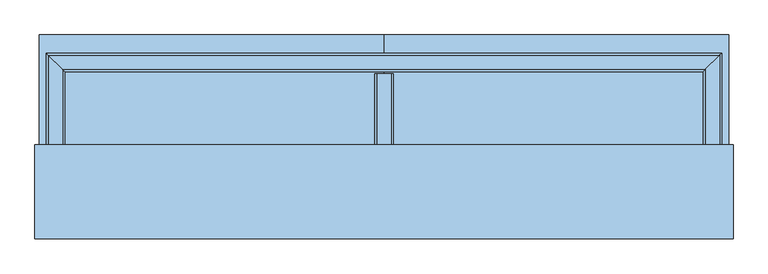
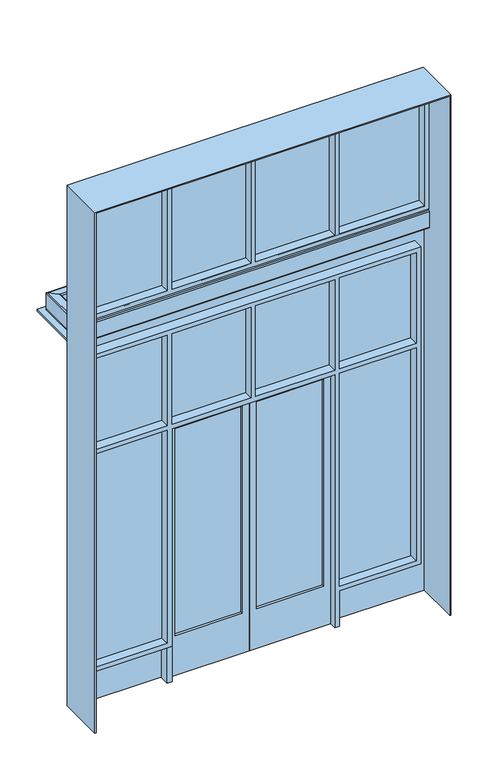
"""IFC4 building model written with IfcOpenShell, lengths in millimetres: window geometry."""

from ifc_helpers import new_model, si_unit, point, frame, frame_2d, origin, origin_with_axes, place, context, project, spatial, polyline, circle_curve, ellipse_curve, trimmed, segment, composite_curve, outline, extrude, faceted_brep, source, transform, mapped, element, save
from ifc_brep_helpers import plane_surface, cylinder_surface, revolved_surface, advanced_brep


def window_72cc16a2(model_context):
    return source(origin(), model_context, "Body", "SolidModel", [
        extrude(outline(composite_curve([segment(polyline([(4408.1281394, -50.8), (4228.6009394, -50.8)]), True, "CONTINUOUS"), segment(trimmed(circle_curve(frame_2d((4228.6009394, -38.9636)), 11.8364), [point((4228.6009394, -50.8))], [point((4216.7645394, -38.9636))], False, "CARTESIAN"), True, "CONTINUOUS"), segment(polyline([(4216.7645394, -38.9636), (4216.7645394, 38.9636)]), True, "CONTINUOUS"), segment(trimmed(circle_curve(frame_2d((4228.6009394, 38.9636)), 11.8364), [point((4216.7645394, 38.9636))], [point((4228.6009394, 50.8))], False, "CARTESIAN"), True, "CONTINUOUS"), segment(polyline([(4228.6009394, 50.8), (4408.1281394, 50.8)]), True, "CONTINUOUS"), segment(trimmed(circle_curve(frame_2d((4408.1281394, 38.9636)), 11.8364), [point((4408.1281394, 50.8))], [point((4419.9645394, 38.9636))], False, "CARTESIAN"), True, "CONTINUOUS"), segment(polyline([(4419.9645394, 38.9636), (4419.9645394, -38.9636)]), True, "CONTINUOUS"), segment(trimmed(circle_curve(frame_2d((4408.1281394, -38.9636)), 11.8364), [point((4419.9645394, -38.9636))], [point((4408.1281394, -50.8))], False, "CARTESIAN"), True, "CONTINUOUS")], self_intersect=False), holes=[composite_curve([segment(trimmed(circle_curve(frame_2d((4408.1281394, 38.9636)), 5.9182), [point((4414.0463394, 38.9636))], [point((4408.1281394, 44.8818))], True, "CARTESIAN"), True, "CONTINUOUS"), segment(polyline([(4408.1281394, 44.8818), (4228.6009394, 44.8818)]), True, "CONTINUOUS"), segment(trimmed(circle_curve(frame_2d((4228.6009394, 38.9636)), 5.9182), [point((4228.6009394, 44.8818))], [point((4222.6827394, 38.9636))], True, "CARTESIAN"), True, "CONTINUOUS"), segment(polyline([(4222.6827394, 38.9636), (4222.6827394, -38.9636)]), True, "CONTINUOUS"), segment(trimmed(circle_curve(frame_2d((4228.6009394, -38.9636)), 5.9182), [point((4222.6827394, -38.9636))], [point((4228.6009394, -44.8818))], True, "CARTESIAN"), True, "CONTINUOUS"), segment(polyline([(4228.6009394, -44.8818), (4408.1281394, -44.8818)]), True, "CONTINUOUS"), segment(trimmed(circle_curve(frame_2d((4408.1281394, -38.9636)), 5.9182), [point((4408.1281394, -44.8818))], [point((4414.0463394, -38.9636))], True, "CARTESIAN"), True, "CONTINUOUS"), segment(polyline([(4414.0463394, -38.9636), (4414.0463394, 38.9636)]), True, "CONTINUOUS")], self_intersect=False)]), frame((0.0, 266.7, 0.0), z_axis=(0.0, 1.0, 0.0), x_axis=(0.0, 0.0, 1.0)), (0.0, 0.0, 1.0), 431.8),
        advanced_brep(
        [(1771.65, 266.7, 4408.1281394), (1771.65, 266.7, 4228.6009394), (1783.4864, 266.7, 4216.7645394), (1861.4136, 266.7, 4216.7645394), (1873.25, 266.7, 4228.6009394), (1873.25, 266.7, 4408.1281394), (1861.4136, 266.7, 4419.9645394), (1783.4864, 266.7, 4419.9645394), (1861.4136, 266.7, 4414.0463394), (1867.3318, 266.7, 4408.1281394), (1867.3318, 266.7, 4228.6009394), (1861.4136, 266.7, 4222.6827394), (1783.4864, 266.7, 4222.6827394), (1777.5682, 266.7, 4228.6009394), (1777.5682, 266.7, 4408.1281394), (1783.4864, 266.7, 4414.0463394), (1783.4864, 723.0364, 4419.9645394), (1771.65, 711.2, 4408.1281394), (1861.4136, 800.9636, 4419.9645394), (1873.25, 812.8, 4408.1281394), (1873.25, 812.8, 4228.6009394), (1861.4136, 800.9636, 4216.7645394), (1783.4864, 723.0364, 4216.7645394), (1771.65, 711.2, 4228.6009394), (1783.4864, 723.0364, 4414.0463394), (1861.4136, 800.9636, 4414.0463394), (1777.5682, 717.1182, 4408.1281394), (1777.5682, 717.1182, 4228.6009394), (1783.4864, 723.0364, 4222.6827394), (1861.4136, 800.9636, 4222.6827394), (1867.3318, 806.8818, 4228.6009394), (1867.3318, 806.8818, 4408.1281394)],
        [
            (0, 1),
            (1, 2, circle_curve(frame((1783.4864, 266.7, 4228.6009394), z_axis=(0.0, -1.0, 0.0), x_axis=(1.0, 0.0, 0.0)), 11.8364)),
            (2, 3),
            (3, 4, circle_curve(frame((1861.4136, 266.7, 4228.6009394), z_axis=(0.0, -1.0, 0.0), x_axis=(1.0, 0.0, 0.0)), 11.8364)),
            (4, 5),
            (5, 6, circle_curve(frame((1861.4136, 266.7, 4408.1281394), z_axis=(0.0, -1.0, 0.0), x_axis=(1.0, 0.0, 0.0)), 11.8364)),
            (6, 7),
            (7, 0, circle_curve(frame((1783.4864, 266.7, 4408.1281394), z_axis=(0.0, -1.0, 0.0), x_axis=(1.0, 0.0, 0.0)), 11.8364)),
            (8, 9, circle_curve(frame((1861.4136, 266.7, 4408.1281394), z_axis=(0.0, 1.0, 0.0), x_axis=(1.0, 0.0, 0.0)), 5.9182)),
            (9, 10),
            (10, 11, circle_curve(frame((1861.4136, 266.7, 4228.6009394), z_axis=(0.0, 1.0, 0.0), x_axis=(1.0, 0.0, 0.0)), 5.9182)),
            (11, 12),
            (12, 13, circle_curve(frame((1783.4864, 266.7, 4228.6009394), z_axis=(0.0, 1.0, 0.0), x_axis=(1.0, 0.0, 0.0)), 5.9182)),
            (13, 14),
            (14, 15, circle_curve(frame((1783.4864, 266.7, 4408.1281394), z_axis=(0.0, 1.0, 0.0), x_axis=(1.0, 0.0, 0.0)), 5.9182)),
            (15, 8),
            (16, 17, ellipse_curve(frame((1783.4864, 723.0364, 4408.1281394), z_axis=(0.7071067811865457, -0.7071067811865493, 0.0), x_axis=(0.7071067811865492, 0.7071067811865458, 0.0)), 16.7391974, 11.8364)),
            (17, 0),
            (7, 16),
            (18, 16),
            (6, 18),
            (19, 18, ellipse_curve(frame((1861.4136, 800.9636, 4408.1281394), z_axis=(0.7071067811865457, -0.7071067811865493, 0.0), x_axis=(0.7071067811865492, 0.7071067811865458, 0.0)), 16.7391974, 11.8364)),
            (5, 19),
            (20, 19),
            (4, 20),
            (21, 20, ellipse_curve(frame((1861.4136, 800.9636, 4228.6009394), z_axis=(0.7071067811865457, -0.7071067811865493, 0.0), x_axis=(0.7071067811865492, 0.7071067811865458, 0.0)), 16.7391974, 11.8364)),
            (3, 21),
            (22, 21),
            (2, 22),
            (23, 22, ellipse_curve(frame((1783.4864, 723.0364, 4228.6009394), z_axis=(0.7071067811865457, -0.7071067811865493, 0.0), x_axis=(0.7071067811865492, 0.7071067811865458, 0.0)), 16.7391974, 11.8364)),
            (1, 23),
            (17, 23),
            (24, 25),
            (25, 8),
            (15, 24),
            (26, 24, ellipse_curve(frame((1783.4864, 723.0364, 4408.1281394), z_axis=(-0.7071067811865457, 0.7071067811865493, 0.0), x_axis=(-0.7071067811865492, -0.7071067811865458, 0.0)), 8.3695987, 5.9182)),
            (14, 26),
            (27, 26),
            (13, 27),
            (28, 27, ellipse_curve(frame((1783.4864, 723.0364, 4228.6009394), z_axis=(-0.7071067811865457, 0.7071067811865493, 0.0), x_axis=(-0.7071067811865492, -0.7071067811865458, 0.0)), 8.3695987, 5.9182)),
            (12, 28),
            (29, 28),
            (11, 29),
            (30, 29, ellipse_curve(frame((1861.4136, 800.9636, 4228.6009394), z_axis=(-0.7071067811865457, 0.7071067811865493, 0.0), x_axis=(-0.7071067811865492, -0.7071067811865458, 0.0)), 8.3695987, 5.9182)),
            (10, 30),
            (31, 30),
            (9, 31),
            (25, 31, ellipse_curve(frame((1861.4136, 800.9636, 4408.1281394), z_axis=(-0.7071067811865457, 0.7071067811865493, 0.0), x_axis=(-0.7071067811865492, -0.7071067811865458, 0.0)), 8.3695987, 5.9182)),
        ],
        [
            plane_surface(frame((1822.45, 266.7, 4318.3645394), z_axis=(0.0, -1.0, 0.0), x_axis=(0.0, 0.0, 1.0))),
            cylinder_surface(frame((1783.4864, 812.8, 4408.1281394), z_axis=(0.0, 1.0, 0.0), x_axis=(1.0, 0.0, 0.0)), 11.8364),
            plane_surface(frame((1783.4864, 812.8, 4419.9645394), z_axis=(0.0, 0.0, 1.0), x_axis=(0.0, -1.0, 0.0))),
            cylinder_surface(frame((1861.4136, 812.8, 4408.1281394), z_axis=(0.0, 1.0, 0.0), x_axis=(1.0, 0.0, 0.0)), 11.8364),
            plane_surface(frame((1873.25, 812.8, 4408.1281394), z_axis=(1.0, 0.0, 0.0), x_axis=(0.0, -1.0, 0.0))),
            cylinder_surface(frame((1861.4136, 812.8, 4228.6009394), z_axis=(0.0, 1.0, 0.0), x_axis=(1.0, 0.0, 0.0)), 11.8364),
            plane_surface(frame((1861.4136, 812.8, 4216.7645394), z_axis=(0.0, 0.0, -1.0), x_axis=(0.0, -1.0, 0.0))),
            cylinder_surface(frame((1783.4864, 812.8, 4228.6009394), z_axis=(0.0, 1.0, 0.0), x_axis=(1.0, 0.0, 0.0)), 11.8364),
            plane_surface(frame((1771.65, 812.8, 4228.6009394), z_axis=(-1.0, 0.0, 0.0), x_axis=(0.0, -1.0, 0.0))),
            plane_surface(frame((1861.4136, 812.8, 4414.0463394), z_axis=(0.0, 0.0, -1.0), x_axis=(0.0, -1.0, 0.0))),
            revolved_surface(polyline([(1789.4046, 266.70000000000005, 4408.1281394), (1789.4046, 728.9545999965801, 4408.1281394)]), (1783.4864, 812.8, 4408.1281394), (0.0, -1.0, 0.0)),
            plane_surface(frame((1777.5682, 812.8, 4408.1281394), z_axis=(1.0, 0.0, 0.0), x_axis=(0.0, -1.0, 0.0))),
            revolved_surface(polyline([(1789.4046, 266.70000000000005, 4228.6009394), (1789.4046, 728.9545999965801, 4228.6009394)]), (1783.4864, 812.8, 4228.6009394), (0.0, -1.0, 0.0)),
            plane_surface(frame((1783.4864, 812.8, 4222.6827394), z_axis=(0.0, 0.0, 1.0), x_axis=(0.0, -1.0, 0.0))),
            revolved_surface(polyline([(1867.3318000000002, 266.70000000000005, 4228.6009394), (1867.3318000000002, 806.8818, 4228.6009394)]), (1861.4136, 812.8, 4228.6009394), (0.0, -1.0, 0.0)),
            plane_surface(frame((1867.3318, 812.8, 4228.6009394), z_axis=(-1.0, 0.0, 0.0), x_axis=(0.0, -1.0, 0.0))),
            revolved_surface(polyline([(1867.3318000000002, 266.70000000000005, 4408.1281394), (1867.3318000000002, 806.8818, 4408.1281394)]), (1861.4136, 812.8, 4408.1281394), (0.0, -1.0, 0.0)),
            plane_surface(frame((1771.65, 711.2, 4318.3645394), z_axis=(-0.7071067811865457, 0.7071067811865493, 0.0), x_axis=(0.7071067811865493, 0.7071067811865457, 0.0))),
        ],
        [
            (0, [[1, 2, 3, 4, 5, 6, 7, 8], [9, 10, 11, 12, 13, 14, 15, 16]]),
            (1, [[17, 18, -8, 19]]),
            (2, [[20, -19, -7, 21]]),
            (3, [[22, -21, -6, 23]]),
            (4, [[24, -23, -5, 25]]),
            (5, [[26, -25, -4, 27]]),
            (6, [[28, -27, -3, 29]]),
            (7, [[30, -29, -2, 31]]),
            (8, [[32, -31, -1, -18]]),
            (9, [[33, 34, -16, 35]]),
            (10, [[36, -35, -15, 37]]),
            (11, [[38, -37, -14, 39]]),
            (12, [[40, -39, -13, 41]]),
            (13, [[42, -41, -12, 43]]),
            (14, [[44, -43, -11, 45]]),
            (15, [[46, -45, -10, 47]]),
            (16, [[48, -47, -9, -34]]),
            (17, [[-17, -20, -22, -24, -26, -28, -30, -32], [-33, -36, -38, -40, -42, -44, -46, -48]]),
        ],
    ),
        advanced_brep(
        [(1861.4136, 800.9636, 4419.9645394), (1873.25, 812.8, 4408.1281394), (-1873.25, 812.8, 4408.1281394), (-1861.4136, 800.9636, 4419.9645394), (1783.4864, 723.0364, 4419.9645394), (-1783.4864, 723.0364, 4419.9645394), (1771.65, 711.2, 4408.1281394), (-1771.65, 711.2, 4408.1281394), (1771.65, 711.2, 4228.6009394), (-1771.65, 711.2, 4228.6009394), (1783.4864, 723.0364, 4216.7645394), (-1783.4864, 723.0364, 4216.7645394), (1861.4136, 800.9636, 4216.7645394), (-1861.4136, 800.9636, 4216.7645394), (1873.25, 812.8, 4228.6009394), (-1873.25, 812.8, 4228.6009394), (1861.4136, 800.9636, 4414.0463394), (1783.4864, 723.0364, 4414.0463394), (-1783.4864, 723.0364, 4414.0463394), (-1861.4136, 800.9636, 4414.0463394), (1867.3318, 806.8818, 4408.1281394), (-1867.3318, 806.8818, 4408.1281394), (1867.3318, 806.8818, 4228.6009394), (-1867.3318, 806.8818, 4228.6009394), (1861.4136, 800.9636, 4222.6827394), (-1861.4136, 800.9636, 4222.6827394), (1783.4864, 723.0364, 4222.6827394), (-1783.4864, 723.0364, 4222.6827394), (1777.5682, 717.1182, 4228.6009394), (-1777.5682, 717.1182, 4228.6009394), (1777.5682, 717.1182, 4408.1281394), (-1777.5682, 717.1182, 4408.1281394)],
        [
            (0, 1, ellipse_curve(frame((1861.4136, 800.9636, 4408.1281394), z_axis=(-0.7071067811865447, 0.7071067811865503, 0.0), x_axis=(0.7071067811865503, 0.7071067811865447, 0.0)), 16.7391974, 11.8364)),
            (1, 2),
            (2, 3, ellipse_curve(frame((-1861.4136, 800.9636, 4408.1281394), z_axis=(0.7071067811865495, 0.7071067811865456, 0.0), x_axis=(0.7071067811865457, -0.7071067811865495, 0.0)), 16.7391974, 11.8364)),
            (3, 0),
            (4, 0),
            (3, 5),
            (5, 4),
            (6, 4, ellipse_curve(frame((1783.4864, 723.0364, 4408.1281394), z_axis=(-0.7071067811865447, 0.7071067811865503, 0.0), x_axis=(0.7071067811865503, 0.7071067811865447, 0.0)), 16.7391974, 11.8364)),
            (5, 7, ellipse_curve(frame((-1783.4864, 723.0364, 4408.1281394), z_axis=(0.7071067811865495, 0.7071067811865456, 0.0), x_axis=(0.7071067811865457, -0.7071067811865495, 0.0)), 16.7391974, 11.8364)),
            (7, 6),
            (8, 6),
            (7, 9),
            (9, 8),
            (10, 8, ellipse_curve(frame((1783.4864, 723.0364, 4228.6009394), z_axis=(-0.7071067811865447, 0.7071067811865503, 0.0), x_axis=(0.7071067811865503, 0.7071067811865447, 0.0)), 16.7391974, 11.8364)),
            (9, 11, ellipse_curve(frame((-1783.4864, 723.0364, 4228.6009394), z_axis=(0.7071067811865495, 0.7071067811865456, 0.0), x_axis=(0.7071067811865457, -0.7071067811865495, 0.0)), 16.7391974, 11.8364)),
            (11, 10),
            (12, 10),
            (11, 13),
            (13, 12),
            (14, 12, ellipse_curve(frame((1861.4136, 800.9636, 4228.6009394), z_axis=(-0.7071067811865447, 0.7071067811865503, 0.0), x_axis=(0.7071067811865503, 0.7071067811865447, 0.0)), 16.7391974, 11.8364)),
            (13, 15, ellipse_curve(frame((-1861.4136, 800.9636, 4228.6009394), z_axis=(0.7071067811865495, 0.7071067811865456, 0.0), x_axis=(0.7071067811865457, -0.7071067811865495, 0.0)), 16.7391974, 11.8364)),
            (15, 14),
            (1, 14),
            (15, 2),
            (16, 17),
            (17, 18),
            (18, 19),
            (19, 16),
            (20, 16, ellipse_curve(frame((1861.4136, 800.9636, 4408.1281394), z_axis=(0.7071067811865447, -0.7071067811865503, 0.0), x_axis=(-0.7071067811865503, -0.7071067811865447, 0.0)), 8.3695987, 5.9182)),
            (19, 21, ellipse_curve(frame((-1861.4136, 800.9636, 4408.1281394), z_axis=(-0.7071067811865495, -0.7071067811865456, 0.0), x_axis=(-0.7071067811865457, 0.7071067811865495, 0.0)), 8.3695987, 5.9182)),
            (21, 20),
            (22, 20),
            (21, 23),
            (23, 22),
            (24, 22, ellipse_curve(frame((1861.4136, 800.9636, 4228.6009394), z_axis=(0.7071067811865447, -0.7071067811865503, 0.0), x_axis=(-0.7071067811865503, -0.7071067811865447, 0.0)), 8.3695987, 5.9182)),
            (23, 25, ellipse_curve(frame((-1861.4136, 800.9636, 4228.6009394), z_axis=(-0.7071067811865495, -0.7071067811865456, 0.0), x_axis=(-0.7071067811865457, 0.7071067811865495, 0.0)), 8.3695987, 5.9182)),
            (25, 24),
            (26, 24),
            (25, 27),
            (27, 26),
            (28, 26, ellipse_curve(frame((1783.4864, 723.0364, 4228.6009394), z_axis=(0.7071067811865447, -0.7071067811865503, 0.0), x_axis=(-0.7071067811865503, -0.7071067811865447, 0.0)), 8.3695987, 5.9182)),
            (27, 29, ellipse_curve(frame((-1783.4864, 723.0364, 4228.6009394), z_axis=(-0.7071067811865495, -0.7071067811865456, 0.0), x_axis=(-0.7071067811865457, 0.7071067811865495, 0.0)), 8.3695987, 5.9182)),
            (29, 28),
            (30, 28),
            (29, 31),
            (31, 30),
            (17, 30, ellipse_curve(frame((1783.4864, 723.0364, 4408.1281394), z_axis=(0.7071067811865447, -0.7071067811865503, 0.0), x_axis=(-0.7071067811865503, -0.7071067811865447, 0.0)), 8.3695987, 5.9182)),
            (31, 18, ellipse_curve(frame((-1783.4864, 723.0364, 4408.1281394), z_axis=(-0.7071067811865495, -0.7071067811865456, 0.0), x_axis=(-0.7071067811865457, 0.7071067811865495, 0.0)), 8.3695987, 5.9182)),
        ],
        [
            cylinder_surface(frame((1822.45, 800.9636, 4408.1281394), z_axis=(1.0, 0.0, 0.0), x_axis=(0.0, -1.0, 0.0)), 11.8364),
            plane_surface(frame((1822.45, 800.9636, 4419.9645394), z_axis=(0.0, 0.0, 1.0), x_axis=(-1.0, 0.0, 0.0))),
            cylinder_surface(frame((1822.45, 723.0364, 4408.1281394), z_axis=(1.0, 0.0, 0.0), x_axis=(0.0, -1.0, 0.0)), 11.8364),
            plane_surface(frame((1822.45, 711.2, 4408.1281394), z_axis=(0.0, -1.0, 0.0), x_axis=(-1.0, 0.0, 0.0))),
            cylinder_surface(frame((1822.45, 723.0364, 4228.6009394), z_axis=(1.0, 0.0, 0.0), x_axis=(0.0, -1.0, 0.0)), 11.8364),
            plane_surface(frame((1822.45, 723.0364, 4216.7645394), z_axis=(0.0, 0.0, -1.0), x_axis=(-1.0, 0.0, 0.0))),
            cylinder_surface(frame((1822.45, 800.9636, 4228.6009394), z_axis=(1.0, 0.0, 0.0), x_axis=(0.0, -1.0, 0.0)), 11.8364),
            plane_surface(frame((1822.45, 812.8, 4228.6009394), z_axis=(0.0, 1.0, 0.0), x_axis=(-1.0, 0.0, 0.0))),
            plane_surface(frame((1822.45, 723.0364, 4414.0463394), z_axis=(0.0, 0.0, -1.0), x_axis=(-1.0, 0.0, 0.0))),
            revolved_surface(polyline([(-1867.3317999999997, 795.0454000000001, 4408.1281394), (1867.3318, 795.0454000000001, 4408.1281394)]), (1822.45, 800.9636, 4408.1281394), (-1.0, 0.0, 0.0)),
            plane_surface(frame((1822.45, 806.8818, 4408.1281394), z_axis=(0.0, -1.0, 0.0), x_axis=(-1.0, 0.0, 0.0))),
            revolved_surface(polyline([(-1867.3317999999997, 795.0454000000001, 4228.6009394), (1867.3318, 795.0454000000001, 4228.6009394)]), (1822.45, 800.9636, 4228.6009394), (-1.0, 0.0, 0.0)),
            plane_surface(frame((1822.45, 800.9636, 4222.6827394), z_axis=(0.0, 0.0, 1.0), x_axis=(-1.0, 0.0, 0.0))),
            revolved_surface(polyline([(-1789.40459999658, 717.1182, 4228.6009394), (1789.4045999965801, 717.1182, 4228.6009394)]), (1822.45, 723.0364, 4228.6009394), (-1.0, 0.0, 0.0)),
            plane_surface(frame((1822.45, 717.1182, 4228.6009394), z_axis=(0.0, 1.0, 0.0), x_axis=(-1.0, 0.0, 0.0))),
            revolved_surface(polyline([(-1789.40459999658, 717.1182, 4408.1281394), (1789.4045999965801, 717.1182, 4408.1281394)]), (1822.45, 723.0364, 4408.1281394), (-1.0, 0.0, 0.0)),
            plane_surface(frame((-1771.65, 711.2, 4318.3645394), z_axis=(-0.7071067811865495, -0.7071067811865456, 0.0), x_axis=(0.7071067811865456, -0.7071067811865495, 0.0))),
            plane_surface(frame((1771.65, 711.2, 4318.3645394), z_axis=(0.7071067811865447, -0.7071067811865503, 0.0), x_axis=(0.7071067811865503, 0.7071067811865447, 0.0))),
        ],
        [
            (0, [[1, 2, 3, 4]]),
            (1, [[5, -4, 6, 7]]),
            (2, [[8, -7, 9, 10]]),
            (3, [[11, -10, 12, 13]]),
            (4, [[14, -13, 15, 16]]),
            (5, [[17, -16, 18, 19]]),
            (6, [[20, -19, 21, 22]]),
            (7, [[23, -22, 24, -2]]),
            (8, [[25, 26, 27, 28]]),
            (9, [[29, -28, 30, 31]]),
            (10, [[32, -31, 33, 34]]),
            (11, [[35, -34, 36, 37]]),
            (12, [[38, -37, 39, 40]]),
            (13, [[41, -40, 42, 43]]),
            (14, [[44, -43, 45, 46]]),
            (15, [[47, -46, 48, -26]]),
            (16, [[-24, -21, -18, -15, -12, -9, -6, -3], [-48, -45, -42, -39, -36, -33, -30, -27]]),
            (17, [[-1, -5, -8, -11, -14, -17, -20, -23], [-25, -29, -32, -35, -38, -41, -44, -47]]),
        ],
    ),
        advanced_brep(
        [(-1873.25, 266.7, 4408.1281394), (-1873.25, 266.7, 4228.6009394), (-1861.4136, 266.7, 4216.7645394), (-1783.4864, 266.7, 4216.7645394), (-1771.65, 266.7, 4228.6009394), (-1771.65, 266.7, 4408.1281394), (-1783.4864, 266.7, 4419.9645394), (-1861.4136, 266.7, 4419.9645394), (-1783.4864, 266.7, 4414.0463394), (-1777.5682, 266.7, 4408.1281394), (-1777.5682, 266.7, 4228.6009394), (-1783.4864, 266.7, 4222.6827394), (-1861.4136, 266.7, 4222.6827394), (-1867.3318, 266.7, 4228.6009394), (-1867.3318, 266.7, 4408.1281394), (-1861.4136, 266.7, 4414.0463394), (-1861.4136, 800.9636, 4419.9645394), (-1873.25, 812.8, 4408.1281394), (-1783.4864, 723.0364, 4419.9645394), (-1771.65, 711.2, 4408.1281394), (-1771.65, 711.2, 4228.6009394), (-1783.4864, 723.0364, 4216.7645394), (-1861.4136, 800.9636, 4216.7645394), (-1873.25, 812.8, 4228.6009394), (-1861.4136, 800.9636, 4414.0463394), (-1783.4864, 723.0364, 4414.0463394), (-1867.3318, 806.8818, 4408.1281394), (-1867.3318, 806.8818, 4228.6009394), (-1861.4136, 800.9636, 4222.6827394), (-1783.4864, 723.0364, 4222.6827394), (-1777.5682, 717.1182, 4228.6009394), (-1777.5682, 717.1182, 4408.1281394)],
        [
            (0, 1),
            (1, 2, circle_curve(frame((-1861.4136, 266.7, 4228.6009394), z_axis=(0.0, -1.0, 0.0), x_axis=(1.0, 0.0, 0.0)), 11.8364)),
            (2, 3),
            (3, 4, circle_curve(frame((-1783.4864, 266.7, 4228.6009394), z_axis=(0.0, -1.0, 0.0), x_axis=(1.0, 0.0, 0.0)), 11.8364)),
            (4, 5),
            (5, 6, circle_curve(frame((-1783.4864, 266.7, 4408.1281394), z_axis=(0.0, -1.0, 0.0), x_axis=(1.0, 0.0, 0.0)), 11.8364)),
            (6, 7),
            (7, 0, circle_curve(frame((-1861.4136, 266.7, 4408.1281394), z_axis=(0.0, -1.0, 0.0), x_axis=(1.0, 0.0, 0.0)), 11.8364)),
            (8, 9, circle_curve(frame((-1783.4864, 266.7, 4408.1281394), z_axis=(0.0, 1.0, 0.0), x_axis=(1.0, 0.0, 0.0)), 5.9182)),
            (9, 10),
            (10, 11, circle_curve(frame((-1783.4864, 266.7, 4228.6009394), z_axis=(0.0, 1.0, 0.0), x_axis=(1.0, 0.0, 0.0)), 5.9182)),
            (11, 12),
            (12, 13, circle_curve(frame((-1861.4136, 266.7, 4228.6009394), z_axis=(0.0, 1.0, 0.0), x_axis=(1.0, 0.0, 0.0)), 5.9182)),
            (13, 14),
            (14, 15, circle_curve(frame((-1861.4136, 266.7, 4408.1281394), z_axis=(0.0, 1.0, 0.0), x_axis=(1.0, 0.0, 0.0)), 5.9182)),
            (15, 8),
            (16, 17, ellipse_curve(frame((-1861.4136, 800.9636, 4408.1281394), z_axis=(-0.7071067811865495, -0.7071067811865456, 0.0), x_axis=(-0.7071067811865456, 0.7071067811865493, 0.0)), 16.7391974, 11.8364)),
            (17, 0),
            (7, 16),
            (18, 16),
            (6, 18),
            (19, 18, ellipse_curve(frame((-1783.4864, 723.0364, 4408.1281394), z_axis=(-0.7071067811865495, -0.7071067811865456, 0.0), x_axis=(-0.7071067811865456, 0.7071067811865493, 0.0)), 16.7391974, 11.8364)),
            (5, 19),
            (20, 19),
            (4, 20),
            (21, 20, ellipse_curve(frame((-1783.4864, 723.0364, 4228.6009394), z_axis=(-0.7071067811865495, -0.7071067811865456, 0.0), x_axis=(-0.7071067811865456, 0.7071067811865493, 0.0)), 16.7391974, 11.8364)),
            (3, 21),
            (22, 21),
            (2, 22),
            (23, 22, ellipse_curve(frame((-1861.4136, 800.9636, 4228.6009394), z_axis=(-0.7071067811865495, -0.7071067811865456, 0.0), x_axis=(-0.7071067811865456, 0.7071067811865493, 0.0)), 16.7391974, 11.8364)),
            (1, 23),
            (17, 23),
            (24, 25),
            (25, 8),
            (15, 24),
            (26, 24, ellipse_curve(frame((-1861.4136, 800.9636, 4408.1281394), z_axis=(0.7071067811865495, 0.7071067811865456, 0.0), x_axis=(0.7071067811865456, -0.7071067811865493, 0.0)), 8.3695987, 5.9182)),
            (14, 26),
            (27, 26),
            (13, 27),
            (28, 27, ellipse_curve(frame((-1861.4136, 800.9636, 4228.6009394), z_axis=(0.7071067811865495, 0.7071067811865456, 0.0), x_axis=(0.7071067811865456, -0.7071067811865493, 0.0)), 8.3695987, 5.9182)),
            (12, 28),
            (29, 28),
            (11, 29),
            (30, 29, ellipse_curve(frame((-1783.4864, 723.0364, 4228.6009394), z_axis=(0.7071067811865495, 0.7071067811865456, 0.0), x_axis=(0.7071067811865456, -0.7071067811865493, 0.0)), 8.3695987, 5.9182)),
            (10, 30),
            (31, 30),
            (9, 31),
            (25, 31, ellipse_curve(frame((-1783.4864, 723.0364, 4408.1281394), z_axis=(0.7071067811865495, 0.7071067811865456, 0.0), x_axis=(0.7071067811865456, -0.7071067811865493, 0.0)), 8.3695987, 5.9182)),
        ],
        [
            plane_surface(frame((-1822.45, 266.7, 4318.3645394), z_axis=(0.0, -1.0, 0.0), x_axis=(0.0, 0.0, 1.0))),
            cylinder_surface(frame((-1861.4136, 812.8, 4408.1281394), z_axis=(0.0, 1.0, 0.0), x_axis=(1.0, 0.0, 0.0)), 11.8364),
            plane_surface(frame((-1861.4136, 812.8, 4419.9645394), z_axis=(0.0, 0.0, 1.0), x_axis=(0.0, -1.0, 0.0))),
            cylinder_surface(frame((-1783.4864, 812.8, 4408.1281394), z_axis=(0.0, 1.0, 0.0), x_axis=(1.0, 0.0, 0.0)), 11.8364),
            plane_surface(frame((-1771.65, 812.8, 4408.1281394), z_axis=(1.0, 0.0, 0.0), x_axis=(0.0, -1.0, 0.0))),
            cylinder_surface(frame((-1783.4864, 812.8, 4228.6009394), z_axis=(0.0, 1.0, 0.0), x_axis=(1.0, 0.0, 0.0)), 11.8364),
            plane_surface(frame((-1783.4864, 812.8, 4216.7645394), z_axis=(0.0, 0.0, -1.0), x_axis=(0.0, -1.0, 0.0))),
            cylinder_surface(frame((-1861.4136, 812.8, 4228.6009394), z_axis=(0.0, 1.0, 0.0), x_axis=(1.0, 0.0, 0.0)), 11.8364),
            plane_surface(frame((-1873.25, 812.8, 4228.6009394), z_axis=(-1.0, 0.0, 0.0), x_axis=(0.0, -1.0, 0.0))),
            plane_surface(frame((-1783.4864, 812.8, 4414.0463394), z_axis=(0.0, 0.0, -1.0), x_axis=(0.0, -1.0, 0.0))),
            revolved_surface(polyline([(-1855.4954, 266.70000000000005, 4408.1281394), (-1855.4954, 806.8818, 4408.1281394)]), (-1861.4136, 812.8, 4408.1281394), (0.0, -1.0, 0.0)),
            plane_surface(frame((-1867.3318, 812.8, 4408.1281394), z_axis=(1.0, 0.0, 0.0), x_axis=(0.0, -1.0, 0.0))),
            revolved_surface(polyline([(-1855.4954, 266.70000000000005, 4228.6009394), (-1855.4954, 806.8818, 4228.6009394)]), (-1861.4136, 812.8, 4228.6009394), (0.0, -1.0, 0.0)),
            plane_surface(frame((-1861.4136, 812.8, 4222.6827394), z_axis=(0.0, 0.0, 1.0), x_axis=(0.0, -1.0, 0.0))),
            revolved_surface(polyline([(-1777.5682, 266.70000000000005, 4228.6009394), (-1777.5682, 728.9545999965801, 4228.6009394)]), (-1783.4864, 812.8, 4228.6009394), (0.0, -1.0, 0.0)),
            plane_surface(frame((-1777.5682, 812.8, 4228.6009394), z_axis=(-1.0, 0.0, 0.0), x_axis=(0.0, -1.0, 0.0))),
            revolved_surface(polyline([(-1777.5682, 266.70000000000005, 4408.1281394), (-1777.5682, 728.9545999965801, 4408.1281394)]), (-1783.4864, 812.8, 4408.1281394), (0.0, -1.0, 0.0)),
            plane_surface(frame((-1771.65, 711.2, 4318.3645394), z_axis=(0.7071067811865495, 0.7071067811865456, 0.0), x_axis=(0.7071067811865456, -0.7071067811865495, 0.0))),
        ],
        [
            (0, [[1, 2, 3, 4, 5, 6, 7, 8], [9, 10, 11, 12, 13, 14, 15, 16]]),
            (1, [[17, 18, -8, 19]]),
            (2, [[20, -19, -7, 21]]),
            (3, [[22, -21, -6, 23]]),
            (4, [[24, -23, -5, 25]]),
            (5, [[26, -25, -4, 27]]),
            (6, [[28, -27, -3, 29]]),
            (7, [[30, -29, -2, 31]]),
            (8, [[32, -31, -1, -18]]),
            (9, [[33, 34, -16, 35]]),
            (10, [[36, -35, -15, 37]]),
            (11, [[38, -37, -14, 39]]),
            (12, [[40, -39, -13, 41]]),
            (13, [[42, -41, -12, 43]]),
            (14, [[44, -43, -11, 45]]),
            (15, [[46, -45, -10, 47]]),
            (16, [[48, -47, -9, -34]]),
            (17, [[-17, -20, -22, -24, -26, -28, -30, -32], [-33, -36, -38, -40, -42, -44, -46, -48]]),
        ],
    ),
        extrude(outline(polyline([(923.925, 279.4), (1784.35, 279.4), (1784.35, 254.0), (923.925, 254.0), (923.925, 279.4)])), frame((0.0, 0.0, 444.5), z_axis=(0.0, 0.0, 1.0), x_axis=(1.0, 0.0, 0.0)), (0.0, 0.0, 1.0), 2476.8645394),
        extrude(outline(polyline([(-1784.35, 279.4), (-923.925, 279.4), (-923.925, 254.0), (-1784.35, 254.0), (-1784.35, 279.4)])), frame((0.0, 0.0, 444.5), z_axis=(0.0, 0.0, 1.0), x_axis=(1.0, 0.0, 0.0)), (0.0, 0.0, 1.0), 2476.8645394),
        faceted_brep([(-923.925, 279.4, 4013.5645394), (-923.925, 279.4, 2946.7645394), (-923.925, 254.0, 2946.7645394), (-923.925, 254.0, 4013.5645394), (-923.925, 254.0, 2921.3645394), (-923.925, 279.4, 2921.3645394), (-923.925, 279.4, 444.5), (-923.925, 254.0, 444.5), (-1784.35, 279.4, 2921.3645394), (-1784.35, 279.4, 444.5), (-936.625, 279.4, 2908.6645394), (-936.625, 279.4, 457.2), (-1771.65, 279.4, 457.2), (-1771.65, 279.4, 2908.6645394), (923.925, 279.4, 444.5), (1784.35, 279.4, 444.5), (1784.35, 279.4, 2921.3645394), (923.925, 279.4, 2921.3645394), (936.625, 279.4, 457.2), (936.625, 279.4, 2908.6645394), (1771.65, 279.4, 2908.6645394), (1771.65, 279.4, 457.2), (-898.525, 279.4, 2946.7645394), (-12.7, 279.4, 2946.7645394), (-12.7, 279.4, 4013.5645394), (-898.525, 279.4, 4013.5645394), (-25.4, 279.4, 2959.4645394), (-885.825, 279.4, 2959.4645394), (-885.825, 279.4, 4000.8645394), (-25.4, 279.4, 4000.8645394), (12.7, 279.4, 2946.7645394), (898.525, 279.4, 2946.7645394), (898.525, 279.4, 4013.5645394), (12.7, 279.4, 4013.5645394), (885.825, 279.4, 2959.4645394), (25.4, 279.4, 2959.4645394), (25.4, 279.4, 4000.8645394), (885.825, 279.4, 4000.8645394), (1784.35, 279.4, 4013.5645394), (923.925, 279.4, 4013.5645394), (923.925, 279.4, 2946.7645394), (1784.35, 279.4, 2946.7645394), (1771.65, 279.4, 4000.8645394), (1771.65, 279.4, 2959.4645394), (936.625, 279.4, 2959.4645394), (936.625, 279.4, 4000.8645394), (-1784.35, 279.4, 4013.5645394), (-1784.35, 279.4, 2946.7645394), (-936.625, 279.4, 2959.4645394), (-1771.65, 279.4, 2959.4645394), (-1771.65, 279.4, 4000.8645394), (-936.625, 279.4, 4000.8645394), (-1784.35, 254.0, 2921.3645394), (-1784.35, 254.0, 444.5), (-1784.35, 254.0, 4013.5645394), (-1784.35, 254.0, 2946.7645394), (1784.35, 254.0, 444.5), (923.925, 254.0, 444.5), (1784.35, 254.0, 2921.3645394), (1784.35, 254.0, 2946.7645394), (1784.35, 254.0, 4013.5645394), (923.925, 254.0, 2921.3645394), (-936.625, 304.8, 2959.4645394), (-936.625, 304.8, 4000.8645394), (-936.625, 304.8, 2908.6645394), (-936.625, 304.8, 457.2), (-1771.65, 304.8, 457.2), (-1771.65, 304.8, 2908.6645394), (-1771.65, 304.8, 4000.8645394), (-1771.65, 304.8, 2959.4645394), (936.625, 304.8, 457.2), (936.625, 304.8, 2908.6645394), (1771.65, 304.8, 457.2), (1771.65, 304.8, 2908.6645394), (1771.65, 304.8, 4000.8645394), (1771.65, 304.8, 2959.4645394), (-936.625, 254.0, 2908.6645394), (-1771.65, 254.0, 2908.6645394), (-1771.65, 254.0, 457.2), (-936.625, 254.0, 457.2), (936.625, 254.0, 457.2), (1771.65, 254.0, 457.2), (1771.65, 254.0, 2908.6645394), (936.625, 254.0, 2908.6645394), (-936.625, 254.0, 2959.4645394), (-936.625, 254.0, 4000.8645394), (-1771.65, 254.0, 4000.8645394), (-1771.65, 254.0, 2959.4645394), (898.525, 254.0, 2946.7645394), (12.7, 254.0, 2946.7645394), (12.7, 254.0, 4013.5645394), (898.525, 254.0, 4013.5645394), (885.825, 254.0, 4000.8645394), (25.4, 254.0, 4000.8645394), (25.4, 254.0, 2959.4645394), (885.825, 254.0, 2959.4645394), (-12.7, 254.0, 2946.7645394), (-898.525, 254.0, 2946.7645394), (-898.525, 254.0, 4013.5645394), (-12.7, 254.0, 4013.5645394), (-885.825, 254.0, 2959.4645394), (-25.4, 254.0, 2959.4645394), (-25.4, 254.0, 4000.8645394), (-885.825, 254.0, 4000.8645394), (923.925, 254.0, 4013.5645394), (923.925, 254.0, 2946.7645394), (1771.65, 254.0, 4000.8645394), (936.625, 254.0, 4000.8645394), (936.625, 254.0, 2959.4645394), (1771.65, 254.0, 2959.4645394), (-1771.65, 152.4, 457.2), (-1771.65, 152.4, 2908.6645394), (-1771.65, 152.4, 4000.8645394), (-1771.65, 152.4, 2959.4645394), (-936.625, 152.4, 457.2), (-936.625, 152.4, 2908.6645394), (-936.625, 152.4, 2959.4645394), (-936.625, 152.4, 4000.8645394), (1771.65, 152.4, 457.2), (936.625, 152.4, 457.2), (1771.65, 152.4, 2908.6645394), (1771.65, 152.4, 4000.8645394), (1771.65, 152.4, 2959.4645394), (936.625, 152.4, 2908.6645394), (-885.825, 152.4, 2908.6645394), (885.825, 152.4, 2908.6645394), (885.825, 152.4, 0.0), (936.625, 152.4, 0.0), (936.625, 152.4, 406.4), (1822.45, 152.4, 406.4), (1822.45, 152.4, 4051.6645394), (-1822.45, 152.4, 4051.6645394), (-1822.45, 152.4, 406.4), (-885.825, 152.4, 406.4), (-885.825, 152.4, 2959.4645394), (-885.825, 152.4, 4000.8645394), (-25.4, 152.4, 4000.8645394), (-25.4, 152.4, 2959.4645394), (936.625, 152.4, 2959.4645394), (936.625, 152.4, 4000.8645394), (885.825, 152.4, 2959.4645394), (25.4, 152.4, 2959.4645394), (25.4, 152.4, 4000.8645394), (885.825, 152.4, 4000.8645394), (885.825, 304.8, 2908.6645394), (885.825, 304.8, 0.0), (936.625, 279.4, 0.0), (923.925, 279.4, 0.0), (923.925, 254.0, 0.0), (936.625, 254.0, 0.0), (936.625, 304.8, 0.0), (936.625, 254.0, 406.4), (1822.45, 304.8, 406.4), (923.925, 254.0, 406.4), (923.925, 279.4, 406.4), (936.625, 279.4, 406.4), (936.625, 304.8, 406.4), (1822.45, 304.8, 4051.6645394), (-1822.45, 304.8, 4051.6645394), (-1822.45, 304.8, 406.4), (-885.825, 304.8, 406.4), (-885.825, 304.8, 2908.6645394), (-885.825, 304.8, 2959.4645394), (-885.825, 304.8, 4000.8645394), (-25.4, 304.8, 2959.4645394), (-25.4, 304.8, 4000.8645394), (936.625, 304.8, 4000.8645394), (936.625, 304.8, 2959.4645394), (885.825, 304.8, 4000.8645394), (25.4, 304.8, 4000.8645394), (25.4, 304.8, 2959.4645394), (885.825, 304.8, 2959.4645394)], [[[0, 1, 2, 3]], [[4, 5, 6, 7]], [[6, 5, 8, 9], [10, 11, 12, 13]], [[14, 15, 16, 17], [18, 19, 20, 21]], [[22, 23, 24, 25], [26, 27, 28, 29]], [[30, 31, 32, 33], [34, 35, 36, 37]], [[38, 39, 40, 41], [42, 43, 44, 45]], [[1, 0, 46, 47], [48, 49, 50, 51]], [[52, 53, 9, 8]], [[47, 46, 54, 55]], [[6, 9, 53, 7]], [[56, 15, 14, 57]], [[16, 15, 56, 58]], [[59, 60, 38, 41]], [[61, 57, 14, 17]], [[62, 48, 51, 63]], [[10, 64, 65, 11]], [[66, 12, 11, 65]], [[12, 66, 67, 13]], [[68, 50, 49, 69]], [[18, 70, 71, 19]], [[72, 21, 20, 73]], [[42, 74, 75, 43]], [[21, 72, 70, 18]], [[4, 7, 53, 52], [76, 77, 78, 79]], [[56, 57, 61, 58], [80, 81, 82, 83]], [[3, 2, 55, 54], [84, 85, 86, 87]], [[88, 89, 90, 91], [92, 93, 94, 95]], [[96, 97, 98, 99], [100, 101, 102, 103]], [[104, 60, 59, 105], [106, 107, 108, 109]], [[110, 78, 77, 111]], [[86, 112, 113, 87]], [[78, 110, 114, 79]], [[115, 76, 79, 114]], [[84, 116, 117, 85]], [[118, 81, 80, 119]], [[81, 118, 120, 82]], [[121, 106, 109, 122]], [[119, 80, 83, 123]], [[124, 125, 126, 127, 128, 129, 130, 131, 132, 133], [115, 114, 110, 111], [119, 123, 120, 118], [134, 135, 136, 137], [116, 113, 112, 117], [121, 122, 138, 139], [140, 141, 142, 143]], [[144, 145, 126, 125]], [[146, 147, 148, 149, 127, 126, 145, 150]], [[127, 149, 151, 128]], [[152, 129, 128, 151, 153, 154, 155, 156]], [[129, 152, 157, 130]], [[131, 158, 159, 132]], [[132, 159, 160, 133]], [[124, 133, 160, 161]], [[162, 163, 28, 27]], [[135, 134, 100, 103]], [[160, 159, 158, 157, 152, 156, 150, 145, 144, 161], [72, 73, 71, 70], [69, 62, 63, 68], [64, 67, 66, 65], [163, 162, 164, 165], [74, 166, 167, 75], [168, 169, 170, 171]], [[146, 150, 156, 155]], [[147, 146, 155, 154]], [[148, 147, 154, 153]], [[149, 148, 153, 151]], [[48, 62, 69, 49]], [[8, 5, 4, 52]], [[58, 61, 17, 16]], [[64, 10, 13, 67]], [[163, 165, 29, 28]], [[169, 168, 37, 36]], [[50, 68, 63, 51]], [[74, 42, 45, 166]], [[164, 162, 27, 26]], [[171, 170, 35, 34]], [[170, 169, 36, 35]], [[168, 171, 34, 37]], [[165, 164, 26, 29]], [[167, 44, 43, 75]], [[44, 167, 166, 45]], [[20, 19, 71, 73]], [[31, 30, 89, 88]], [[97, 96, 23, 22]], [[24, 23, 96, 99]], [[39, 38, 60, 104]], [[99, 98, 25, 24]], [[91, 90, 33, 32]], [[3, 54, 46, 0]], [[98, 97, 22, 25]], [[32, 31, 88, 91]], [[90, 89, 30, 33]], [[104, 105, 40, 39]], [[41, 40, 105, 59]], [[55, 2, 1, 47]], [[76, 115, 111, 77]], [[112, 86, 85, 117]], [[106, 121, 139, 107]], [[143, 142, 93, 92]], [[136, 135, 103, 102]], [[116, 84, 87, 113]], [[120, 123, 83, 82]], [[138, 108, 107, 139]], [[108, 138, 122, 109]], [[142, 141, 94, 93]], [[141, 140, 95, 94]], [[134, 137, 101, 100]], [[92, 95, 140, 143]], [[102, 101, 137, 136]], [[124, 161, 144, 125]], [[158, 131, 130, 157]]]),
        extrude(outline(polyline([(4153.2645394, -1924.05), (0.0, -1924.05), (0.0, -923.925), (406.4, -923.925), (406.4, -1822.45), (4051.6645394, -1822.45), (4051.6645394, 1822.45), (406.4, 1822.45), (406.4, 923.925), (0.0, 923.925), (0.0, 1924.05), (4153.2645394, 1924.05), (4153.2645394, -1924.05)])), frame((0.0, 266.7, 0.0), z_axis=(0.0, 1.0, 0.0), x_axis=(0.0, 0.0, 1.0)), (0.0, 0.0, 1.0), 12.7),
        extrude(outline(polyline([(0.0, 1924.05), (0.0, 1936.75), (5982.0645394, 1936.75), (5982.0645394, -1936.75), (0.0, -1936.75), (0.0, -1924.05), (5969.3645394, -1924.05), (5969.3645394, 1924.05), (0.0, 1924.05)])), frame((0.0, -215.9, 0.0), z_axis=(0.0, 1.0, 0.0), x_axis=(0.0, 0.0, 1.0)), (0.0, 0.0, 1.0), 520.7),
        extrude(outline(polyline([(-936.625, 279.4), (-936.625, 304.8), (-885.825, 304.8), (-885.825, 152.4), (-936.625, 152.4), (-936.625, 254.0), (-923.925, 254.0), (-923.925, 279.4), (-936.625, 279.4)])), origin_with_axes(), (0.0, 0.0, 1.0), 406.4),
        extrude(outline(polyline([(12.7, 279.4), (898.525, 279.4), (898.525, 254.0), (12.7, 254.0), (12.7, 279.4)])), frame((0.0, 0.0, 2946.7645394), z_axis=(0.0, 0.0, 1.0), x_axis=(1.0, 0.0, 0.0)), (0.0, 0.0, 1.0), 1066.8),
        extrude(outline(polyline([(-898.525, 279.4), (-12.7, 279.4), (-12.7, 254.0), (-898.525, 254.0), (-898.525, 279.4)])), frame((0.0, 0.0, 2946.7645394), z_axis=(0.0, 0.0, 1.0), x_axis=(1.0, 0.0, 0.0)), (0.0, 0.0, 1.0), 1066.8),
        extrude(outline(polyline([(-1784.35, 279.4), (-923.925, 279.4), (-923.925, 254.0), (-1784.35, 254.0), (-1784.35, 279.4)])), frame((0.0, 0.0, 2946.7645394), z_axis=(0.0, 0.0, 1.0), x_axis=(1.0, 0.0, 0.0)), (0.0, 0.0, 1.0), 1066.8),
        extrude(outline(polyline([(923.925, 279.4), (1784.35, 279.4), (1784.35, 254.0), (923.925, 254.0), (923.925, 279.4)])), frame((0.0, 0.0, 2946.7645394), z_axis=(0.0, 0.0, 1.0), x_axis=(1.0, 0.0, 0.0)), (0.0, 0.0, 1.0), 1066.8),
        extrude(outline(polyline([(-1.5875, 914.4), (-1.5875, 279.4), (-1911.35, 279.4), (-1911.35, 914.4), (-1.5875, 914.4)])), frame((0.0, 0.0, 4153.2645394), z_axis=(0.0, 0.0, 1.0), x_axis=(1.0, 0.0, 0.0)), (0.0, 0.0, 1.0), 25.4),
        extrude(outline(polyline([(1.5875, 914.4), (1911.35, 914.4), (1911.35, 279.4), (1.5875, 279.4), (1.5875, 914.4)])), frame((0.0, 0.0, 4153.2645394), z_axis=(0.0, 0.0, 1.0), x_axis=(1.0, 0.0, 0.0)), (0.0, 0.0, 1.0), 25.4),
        extrude(outline(composite_curve([segment(polyline([(176.9364, 4419.9645394), (254.8636, 4419.9645394)]), True, "CONTINUOUS"), segment(trimmed(circle_curve(frame_2d((254.8636, 4408.1281394)), 11.8364), [point((254.8636, 4419.9645394))], [point((266.7, 4408.1281394))], False, "CARTESIAN"), True, "CONTINUOUS"), segment(polyline([(266.7, 4408.1281394), (266.7, 4228.6009394)]), True, "CONTINUOUS"), segment(trimmed(circle_curve(frame_2d((254.8636, 4228.6009394)), 11.8364), [point((266.7, 4228.6009394))], [point((254.8636, 4216.7645394))], False, "CARTESIAN"), True, "CONTINUOUS"), segment(polyline([(254.8636, 4216.7645394), (176.9364, 4216.7645394)]), True, "CONTINUOUS"), segment(trimmed(circle_curve(frame_2d((176.9364, 4228.6009394)), 11.8364), [point((176.9364, 4216.7645394))], [point((165.1, 4228.6009394))], False, "CARTESIAN"), True, "CONTINUOUS"), segment(polyline([(165.1, 4228.6009394), (165.1, 4408.1281394)]), True, "CONTINUOUS"), segment(trimmed(circle_curve(frame_2d((176.9364, 4408.1281394)), 11.8364), [point((165.1, 4408.1281394))], [point((176.9364, 4419.9645394))], False, "CARTESIAN"), True, "CONTINUOUS")], self_intersect=False), holes=[composite_curve([segment(trimmed(circle_curve(frame_2d((254.8636, 4228.6009394)), 5.9182), [point((254.8636, 4222.6827394))], [point((260.7818, 4228.6009394))], True, "CARTESIAN"), True, "CONTINUOUS"), segment(polyline([(260.7818, 4228.6009394), (260.7818, 4408.1281394)]), True, "CONTINUOUS"), segment(trimmed(circle_curve(frame_2d((254.8636, 4408.1281394)), 5.9182), [point((260.7818, 4408.1281394))], [point((254.8636, 4414.0463394))], True, "CARTESIAN"), True, "CONTINUOUS"), segment(polyline([(254.8636, 4414.0463394), (176.9364, 4414.0463394)]), True, "CONTINUOUS"), segment(trimmed(circle_curve(frame_2d((176.9364, 4408.1281394)), 5.9182), [point((176.9364, 4414.0463394))], [point((171.0182, 4408.1281394))], True, "CARTESIAN"), True, "CONTINUOUS"), segment(polyline([(171.0182, 4408.1281394), (171.0182, 4228.6009394)]), True, "CONTINUOUS"), segment(trimmed(circle_curve(frame_2d((176.9364, 4228.6009394)), 5.9182), [point((171.0182, 4228.6009394))], [point((176.9364, 4222.6827394))], True, "CARTESIAN"), True, "CONTINUOUS"), segment(polyline([(176.9364, 4222.6827394), (254.8636, 4222.6827394)]), True, "CONTINUOUS")], self_intersect=False)]), frame((-1924.05, 0.0, 0.0), z_axis=(1.0, 0.0, 0.0), x_axis=(0.0, 1.0, 0.0)), (0.0, 0.0, 1.0), 3848.1),
        extrude(outline(polyline([(923.925, 279.4), (1873.25, 279.4), (1873.25, 254.0), (923.925, 254.0), (923.925, 279.4)])), frame((0.0, 0.0, 4496.1645394), z_axis=(0.0, 0.0, 1.0), x_axis=(1.0, 0.0, 0.0)), (0.0, 0.0, 1.0), 1422.4),
        extrude(outline(polyline([(-898.525, 279.4), (-12.7, 279.4), (-12.7, 254.0), (-898.525, 254.0), (-898.525, 279.4)])), frame((0.0, 0.0, 4496.1645394), z_axis=(0.0, 0.0, 1.0), x_axis=(1.0, 0.0, 0.0)), (0.0, 0.0, 1.0), 1422.4),
        extrude(outline(polyline([(12.7, 279.4), (898.525, 279.4), (898.525, 254.0), (12.7, 254.0), (12.7, 279.4)])), frame((0.0, 0.0, 4496.1645394), z_axis=(0.0, 0.0, 1.0), x_axis=(1.0, 0.0, 0.0)), (0.0, 0.0, 1.0), 1422.4),
        faceted_brep([(-1911.35, 304.8, 4458.0645394), (-1911.35, 304.8, 5956.6645394), (1911.35, 304.8, 5956.6645394), (1911.35, 304.8, 4458.0645394), (-1860.55, 304.8, 5905.8645394), (-1860.55, 304.8, 4508.8645394), (-936.625, 304.8, 4508.8645394), (-936.625, 304.8, 5905.8645394), (1860.55, 304.8, 4508.8645394), (1860.55, 304.8, 5905.8645394), (936.625, 304.8, 5905.8645394), (936.625, 304.8, 4508.8645394), (-885.825, 304.8, 5905.8645394), (-885.825, 304.8, 4508.8645394), (-25.4, 304.8, 4508.8645394), (-25.4, 304.8, 5905.8645394), (25.4, 304.8, 4508.8645394), (885.825, 304.8, 4508.8645394), (885.825, 304.8, 5905.8645394), (25.4, 304.8, 5905.8645394), (-936.625, 279.4, 4508.8645394), (-936.625, 279.4, 5905.8645394), (-1873.25, 279.4, 5918.5645394), (-1873.25, 279.4, 4496.1645394), (-923.925, 279.4, 4496.1645394), (-923.925, 279.4, 5918.5645394), (-1860.55, 279.4, 4508.8645394), (-1860.55, 279.4, 5905.8645394), (1873.25, 279.4, 4496.1645394), (1873.25, 279.4, 5918.5645394), (923.925, 279.4, 5918.5645394), (923.925, 279.4, 4496.1645394), (1860.55, 279.4, 4508.8645394), (936.625, 279.4, 4508.8645394), (936.625, 279.4, 5905.8645394), (1860.55, 279.4, 5905.8645394), (-898.525, 279.4, 5918.5645394), (-898.525, 279.4, 4496.1645394), (-12.7, 279.4, 4496.1645394), (-12.7, 279.4, 5918.5645394), (-885.825, 279.4, 4508.8645394), (-885.825, 279.4, 5905.8645394), (-25.4, 279.4, 5905.8645394), (-25.4, 279.4, 4508.8645394), (12.7, 279.4, 5918.5645394), (12.7, 279.4, 4496.1645394), (898.525, 279.4, 4496.1645394), (898.525, 279.4, 5918.5645394), (25.4, 279.4, 4508.8645394), (25.4, 279.4, 5905.8645394), (885.825, 279.4, 5905.8645394), (885.825, 279.4, 4508.8645394), (-923.925, 254.0, 4496.1645394), (-923.925, 254.0, 5918.5645394), (-1873.25, 254.0, 4496.1645394), (-1873.25, 254.0, 5918.5645394), (-1860.55, 254.0, 5905.8645394), (-1860.55, 254.0, 4508.8645394), (-936.625, 254.0, 4508.8645394), (-936.625, 254.0, 5905.8645394), (1873.25, 254.0, 5918.5645394), (1873.25, 254.0, 4496.1645394), (923.925, 254.0, 4496.1645394), (923.925, 254.0, 5918.5645394), (1860.55, 254.0, 4508.8645394), (1860.55, 254.0, 5905.8645394), (936.625, 254.0, 5905.8645394), (936.625, 254.0, 4508.8645394), (-898.525, 254.0, 4496.1645394), (-898.525, 254.0, 5918.5645394), (-12.7, 254.0, 5918.5645394), (-12.7, 254.0, 4496.1645394), (-885.825, 254.0, 5905.8645394), (-885.825, 254.0, 4508.8645394), (-25.4, 254.0, 4508.8645394), (-25.4, 254.0, 5905.8645394), (12.7, 254.0, 4496.1645394), (12.7, 254.0, 5918.5645394), (898.525, 254.0, 5918.5645394), (898.525, 254.0, 4496.1645394), (25.4, 254.0, 5905.8645394), (25.4, 254.0, 4508.8645394), (885.825, 254.0, 4508.8645394), (885.825, 254.0, 5905.8645394), (-936.625, 152.4, 4508.8645394), (-936.625, 152.4, 5905.8645394), (-1911.35, 152.4, 5956.6645394), (-1911.35, 152.4, 4458.0645394), (1911.35, 152.4, 4458.0645394), (1911.35, 152.4, 5956.6645394), (-1860.55, 152.4, 4508.8645394), (-1860.55, 152.4, 5905.8645394), (1860.55, 152.4, 5905.8645394), (1860.55, 152.4, 4508.8645394), (936.625, 152.4, 4508.8645394), (936.625, 152.4, 5905.8645394), (-885.825, 152.4, 4508.8645394), (-885.825, 152.4, 5905.8645394), (-25.4, 152.4, 5905.8645394), (-25.4, 152.4, 4508.8645394), (25.4, 152.4, 5905.8645394), (885.825, 152.4, 5905.8645394), (885.825, 152.4, 4508.8645394), (25.4, 152.4, 4508.8645394)], [[[0, 1, 2, 3], [4, 5, 6, 7], [8, 9, 10, 11], [12, 13, 14, 15], [16, 17, 18, 19]], [[7, 6, 20, 21]], [[22, 23, 24, 25], [26, 27, 21, 20]], [[28, 29, 30, 31], [32, 33, 34, 35]], [[36, 37, 38, 39], [40, 41, 42, 43]], [[44, 45, 46, 47], [48, 49, 50, 51]], [[24, 52, 53, 25]], [[54, 55, 53, 52], [56, 57, 58, 59]], [[60, 61, 62, 63], [64, 65, 66, 67]], [[68, 69, 70, 71], [72, 73, 74, 75]], [[76, 77, 78, 79], [80, 81, 82, 83]], [[59, 58, 84, 85]], [[86, 87, 88, 89], [90, 91, 85, 84], [92, 93, 94, 95], [96, 97, 98, 99], [100, 101, 102, 103]], [[97, 96, 73, 72]], [[68, 37, 36, 69]], [[13, 12, 41, 40]], [[56, 91, 90, 57]], [[22, 55, 54, 23]], [[4, 27, 26, 5]], [[86, 1, 0, 87]], [[73, 96, 99, 74]], [[57, 90, 84, 58]], [[93, 64, 67, 94]], [[81, 103, 102, 82]], [[46, 45, 76, 79]], [[62, 61, 28, 31]], [[37, 68, 71, 38]], [[23, 54, 52, 24]], [[13, 40, 43, 14]], [[5, 26, 20, 6]], [[32, 8, 11, 33]], [[16, 48, 51, 17]], [[87, 0, 3, 88]], [[64, 93, 92, 65]], [[28, 61, 60, 29]], [[8, 32, 35, 9]], [[88, 3, 2, 89]], [[97, 72, 75, 98]], [[91, 56, 59, 85]], [[65, 92, 95, 66]], [[100, 80, 83, 101]], [[30, 29, 60, 63]], [[78, 77, 44, 47]], [[69, 36, 39, 70]], [[55, 22, 25, 53]], [[41, 12, 15, 42]], [[27, 4, 7, 21]], [[9, 35, 34, 10]], [[49, 19, 18, 50]], [[1, 86, 89, 2]], [[15, 14, 43, 42]], [[38, 71, 70, 39]], [[75, 74, 99, 98]], [[81, 80, 100, 103]], [[76, 45, 44, 77]], [[16, 19, 49, 48]], [[18, 17, 51, 50]], [[79, 78, 47, 46]], [[83, 82, 102, 101]], [[67, 66, 95, 94]], [[63, 62, 31, 30]], [[11, 10, 34, 33]]]),
        extrude(outline(polyline([(-1873.25, 279.4), (-923.925, 279.4), (-923.925, 254.0), (-1873.25, 254.0), (-1873.25, 279.4)])), frame((0.0, 0.0, 4496.1645394), z_axis=(0.0, 0.0, 1.0), x_axis=(1.0, 0.0, 0.0)), (0.0, 0.0, 1.0), 1422.4),
        faceted_brep([(0.0, 228.6, 0.0), (885.825, 228.6, 0.0), (885.825, 228.6, 2908.6645394), (0.0, 228.6, 2908.6645394), (809.625, 228.6, 2832.4645394), (809.625, 228.6, 457.2), (76.2, 228.6, 457.2), (76.2, 228.6, 2832.4645394), (885.825, 304.8, 0.0), (0.0, 304.8, 0.0), (0.0, 304.8, 2908.6645394), (885.825, 304.8, 2908.6645394), (809.625, 304.8, 457.2), (809.625, 304.8, 2832.4645394), (76.2, 304.8, 2832.4645394), (76.2, 304.8, 457.2), (809.625, 254.0, 2832.4645394), (809.625, 254.0, 457.2), (822.325, 254.0, 2845.1645394), (822.325, 279.4, 2845.1645394), (822.325, 279.4, 444.5), (822.325, 254.0, 444.5), (809.625, 279.4, 2832.4645394), (809.625, 279.4, 457.2), (76.2, 254.0, 457.2), (63.5, 279.4, 444.5), (63.5, 254.0, 444.5), (76.2, 279.4, 457.2), (76.2, 254.0, 2832.4645394), (63.5, 279.4, 2845.1645394), (63.5, 254.0, 2845.1645394), (76.2, 279.4, 2832.4645394)], [[[0, 1, 2, 3], [4, 5, 6, 7]], [[8, 9, 10, 11], [12, 13, 14, 15]], [[0, 3, 10, 9]], [[1, 0, 9, 8]], [[2, 1, 8, 11]], [[4, 16, 17, 5]], [[18, 19, 20, 21]], [[22, 13, 12, 23]], [[5, 17, 24, 6]], [[21, 20, 25, 26]], [[23, 12, 15, 27]], [[6, 24, 28, 7]], [[26, 25, 29, 30]], [[27, 15, 14, 31]], [[16, 4, 7, 28]], [[18, 21, 26, 30], [17, 16, 28, 24]], [[19, 18, 30, 29]], [[20, 19, 29, 25], [22, 23, 27, 31]], [[13, 22, 31, 14]], [[2, 11, 10, 3]]]),
        extrude(outline(polyline([(63.5, 279.4), (822.325, 279.4), (822.325, 254.0), (63.5, 254.0), (63.5, 279.4)])), frame((0.0, 0.0, 444.5), z_axis=(0.0, 0.0, 1.0), x_axis=(1.0, 0.0, 0.0)), (0.0, 0.0, 1.0), 2400.6645394),
        faceted_brep([(-885.825, 228.6, 0.0), (0.0, 228.6, 0.0), (0.0, 228.6, 2908.6645394), (-885.825, 228.6, 2908.6645394), (-809.625, 228.6, 457.2), (-809.625, 228.6, 2832.4645394), (-76.2, 228.6, 2832.4645394), (-76.2, 228.6, 457.2), (0.0, 304.8, 0.0), (-885.825, 304.8, 0.0), (-885.825, 304.8, 2908.6645394), (0.0, 304.8, 2908.6645394), (-809.625, 304.8, 2832.4645394), (-809.625, 304.8, 457.2), (-76.2, 304.8, 457.2), (-76.2, 304.8, 2832.4645394), (-809.625, 254.0, 2832.4645394), (-809.625, 254.0, 457.2), (-822.325, 279.4, 2845.1645394), (-822.325, 254.0, 2845.1645394), (-822.325, 254.0, 444.5), (-822.325, 279.4, 444.5), (-809.625, 279.4, 2832.4645394), (-809.625, 279.4, 457.2), (-76.2, 254.0, 457.2), (-63.5, 254.0, 444.5), (-63.5, 279.4, 444.5), (-76.2, 279.4, 457.2), (-76.2, 254.0, 2832.4645394), (-63.5, 254.0, 2845.1645394), (-63.5, 279.4, 2845.1645394), (-76.2, 279.4, 2832.4645394)], [[[0, 1, 2, 3], [4, 5, 6, 7]], [[8, 9, 10, 11], [12, 13, 14, 15]], [[2, 1, 8, 11]], [[1, 0, 9, 8]], [[0, 3, 10, 9]], [[16, 5, 4, 17]], [[18, 19, 20, 21]], [[12, 22, 23, 13]], [[17, 4, 7, 24]], [[21, 20, 25, 26]], [[13, 23, 27, 14]], [[24, 7, 6, 28]], [[26, 25, 29, 30]], [[14, 27, 31, 15]], [[5, 16, 28, 6]], [[20, 19, 29, 25], [16, 17, 24, 28]], [[19, 18, 30, 29]], [[18, 21, 26, 30], [23, 22, 31, 27]], [[22, 12, 15, 31]], [[10, 3, 2, 11]]]),
        extrude(outline(polyline([(-822.325, 279.4), (-63.5, 279.4), (-63.5, 254.0), (-822.325, 254.0), (-822.325, 279.4)])), frame((0.0, 0.0, 444.5), z_axis=(0.0, 0.0, 1.0), x_axis=(1.0, 0.0, 0.0)), (0.0, 0.0, 1.0), 2400.6645394),
    ])


if __name__ == "__main__":
    model = new_model("IFC4")
    model_context = context("Model", 3, world=origin())
    ifc_project = project(units=[si_unit("LENGTHUNIT", "METRE", prefix="MILLI")], contexts=[model_context])
    site = spatial("IfcSite", under=ifc_project)
    building = spatial("IfcBuilding", under=site)
    placement = place(None, origin())
    window_shape = window_72cc16a2(model_context)
    element("IfcWindow", 1, at=placement, inside=building, context=model_context, shape_type="MappedRepresentation", body=[
        mapped(window_shape, transform((0.0, 0.0, 0.0), x_axis=(1.0, 0.0, 0.0), y_axis=(0.0, 1.0, 0.0), z_axis=(0.0, 0.0, 1.0))),
    ])
    save(model, "model.ifc")
